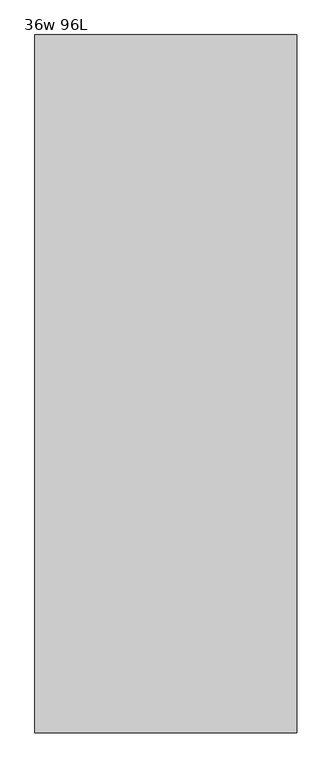
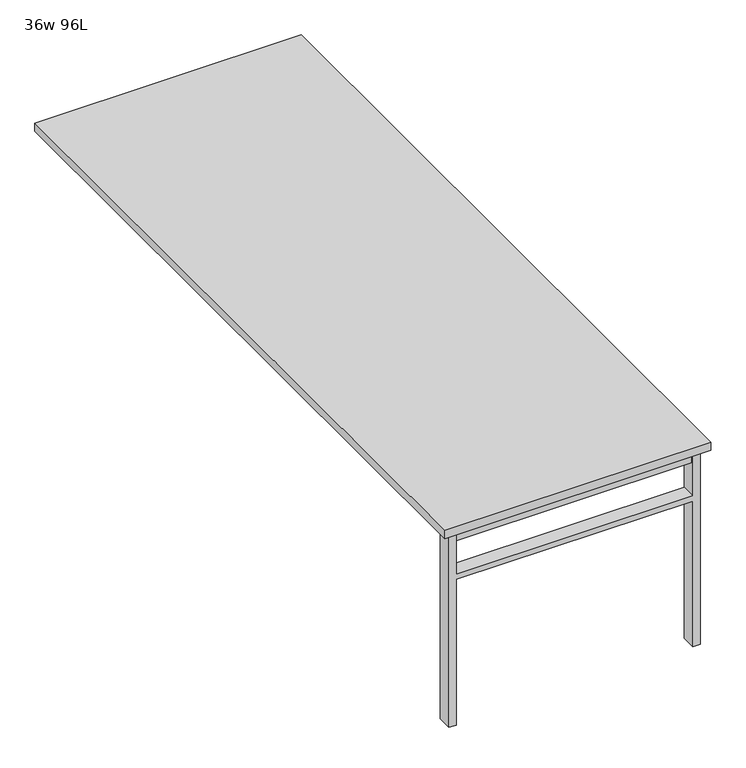
"""IFC4 building model written with IfcOpenShell, lengths in millimetres: furniture geometry, 36w 96L."""

from ifc_helpers import new_model, si_unit, frame, origin, place, context, project, spatial, polyline, outline, extrude, source, transform, mapped, element, save


def furniture_36w_96l_75fedc98(model_context):
    return source(origin(), model_context, "Body", "SweptSolid", [
        extrude(outline(polyline([(-406.4, -1158.875), (406.4, -1158.875), (406.4, -1190.625), (-406.4, -1190.625), (-406.4, -1158.875)])), frame((0.0, 0.0, 661.9875), z_axis=(0.0, 0.0, 1.0), x_axis=(1.0, 0.0, 0.0)), (0.0, 0.0, 1.0), 44.45),
        extrude(outline(polyline([(528.6375, 406.4), (0.0, 406.4), (0.0, 431.8), (706.4375, 431.8), (706.4375, 406.4), (547.6875, 406.4), (547.6875, -406.4), (706.4375, -406.4), (706.4375, -431.8), (0.0, -431.8), (0.0, -406.4), (528.6375, -406.4), (528.6375, 406.4)])), frame((0.0, -1200.15, 0.0), z_axis=(0.0, 1.0, 0.0), x_axis=(0.0, 0.0, 1.0)), (0.0, 0.0, 1.0), 50.8),
        extrude(outline(polyline([(-457.2, -1219.2), (-457.2, 1219.2), (457.2, 1219.2), (457.2, -1219.2), (-457.2, -1219.2)])), frame((0.0, 0.0, 706.4375), z_axis=(0.0, 0.0, 1.0), x_axis=(1.0, 0.0, 0.0)), (0.0, 0.0, 1.0), 30.1625),
    ])


if __name__ == "__main__":
    model = new_model("IFC4")
    model_context = context("Model", 3, world=origin())
    ifc_project = project(units=[si_unit("LENGTHUNIT", "METRE", prefix="MILLI")], contexts=[model_context])
    site = spatial("IfcSite", under=ifc_project)
    building = spatial("IfcBuilding", under=site)
    placement = place(None, origin())
    furniture_36w_96l_shape = furniture_36w_96l_75fedc98(model_context)
    element("IfcFurniture", 1, ObjectType="36w 96L", at=placement, inside=building, context=model_context, shape_type="MappedRepresentation", body=[
        mapped(furniture_36w_96l_shape, transform((0.0, 0.0, 0.0), x_axis=(1.0, 0.0, 0.0), y_axis=(0.0, 1.0, 0.0), z_axis=(0.0, 0.0, 1.0))),
    ])
    save(model, "model.ifc")
